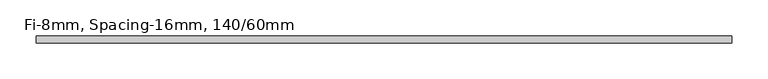
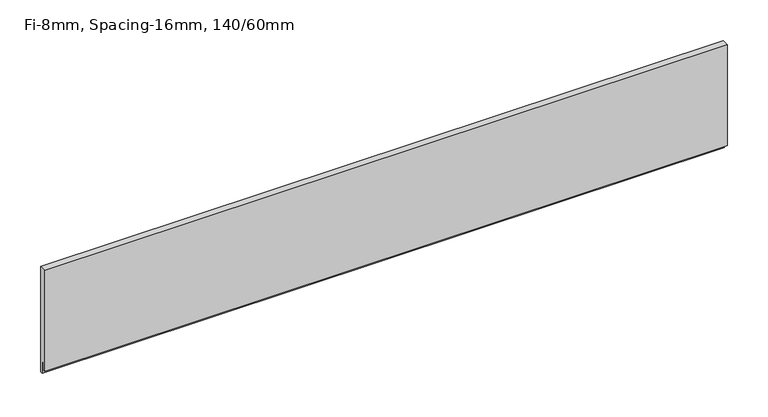
"""IFC4 building model written with IfcOpenShell, lengths in millimetres: plate geometry, Fi-8mm, Spacing-16mm, 140/60mm."""

import ifcopenshell
import ifcopenshell.guid

model = None  # the IFC model being written
_history = None  # IfcOwnerHistory: only IFC2X3 demands one
_inside = {}  # id of a spatial element -> (the spatial element, [elements in it])
_under = {}  # id of a project, library or spatial element -> (it, [spatial elements below it])
_declared = {}  # id of a project -> (the project, [libraries it declares])
_typed = {}  # id of a type object -> (the type object, [elements of that type])
_made_of = {}  # id of a material, layer set ... -> (it, [elements and type objects made of it])


def new_model(schema):
    """Start an empty IFC model of exactly this schema.

    Asked for "IFC4X3", IfcOpenShell would pick the latest addendum, in which some entities
    have other attributes; the version numbers below select the first issue.
    IFC2X3 requires an IfcOwnerHistory on every rooted entity: one is made here for all.
    """
    global model, _history
    if schema == "IFC4X3":
        model = ifcopenshell.file(schema_version=(4, 3, 0, 0))
    else:
        model = ifcopenshell.file(schema=schema)
    _inside.clear()
    _under.clear()
    _declared.clear()
    _typed.clear()
    _made_of.clear()
    _history = None
    if model.schema == "IFC2X3":
        org = make("IfcOrganization", Name="unknown")
        user = make(
            "IfcPersonAndOrganization",
            ThePerson=make("IfcPerson", FamilyName="unknown"),
            TheOrganization=org,
        )
        app = make(
            "IfcApplication",
            ApplicationDeveloper=org,
            Version="unknown",
            ApplicationFullName="unknown",
            ApplicationIdentifier="unknown",
        )
        _history = make(
            "IfcOwnerHistory",
            OwningUser=user,
            OwningApplication=app,
            ChangeAction="ADDED",
            CreationDate=0,
        )
    return model


def make(cls, **values):
    """One entity of the class cls with the attributes given. An attribute that is None is left unset."""
    return model.create_entity(
        cls, **{name: value for name, value in values.items() if value is not None}
    )


def rooted(cls, **values):
    """An entity with a GlobalId (a new one), such as an element, a storey or a relation."""
    return make(cls, GlobalId=ifcopenshell.guid.new(), OwnerHistory=_history, **values)


def si_unit(unit_type, name, prefix=None):
    """IfcSIUnit, for example si_unit("LENGTHUNIT", "METRE", prefix="MILLI")."""
    return make("IfcSIUnit", UnitType=unit_type, Prefix=prefix, Name=name)


def assignment(units):
    """IfcUnitAssignment: the units of a project."""
    return None if units is None else make("IfcUnitAssignment", Units=units)


def point(xyz):
    """IfcCartesianPoint."""
    return None if xyz is None else make("IfcCartesianPoint", Coordinates=xyz)


def direction(xyz):
    """IfcDirection."""
    return None if xyz is None else make("IfcDirection", DirectionRatios=xyz)


def frame(location, z_axis=None, x_axis=None):
    """IfcAxis2Placement3D, a coordinate frame: its origin and axes. An axis left out is left unset."""
    return make(
        "IfcAxis2Placement3D",
        Location=point(location),
        Axis=direction(z_axis),
        RefDirection=direction(x_axis),
    )


def origin():
    """The frame at (0, 0, 0) with its axes left unset."""
    return frame((0.0, 0.0, 0.0))


def place(relative_to, where):
    """IfcLocalPlacement: puts the frame where relative to a parent placement (None: the world)."""
    return make(
        "IfcLocalPlacement", PlacementRelTo=relative_to, RelativePlacement=where
    )


def context(
    kind, dimensions, precision=None, world=None, true_north=None, identifier=None
):
    """IfcGeometricRepresentationContext, for example the 3D "Model" context."""
    return make(
        "IfcGeometricRepresentationContext",
        ContextIdentifier=identifier,
        ContextType=kind,
        CoordinateSpaceDimension=dimensions,
        Precision=precision,
        WorldCoordinateSystem=world,
        TrueNorth=true_north,
    )


def project(units=None, contexts=None):
    """IfcProject with its units and contexts."""
    return rooted(
        "IfcProject",
        Name="project",
        RepresentationContexts=contexts,
        UnitsInContext=assignment(units),
    )


def spatial(cls, under=None, at=None, **own):
    """A site, building, storey or space (cls), placed at a placement, below another one or the project."""
    s = rooted(cls, ObjectPlacement=at, **own)
    if under is not None:
        _under.setdefault(under.id(), (under, []))[1].append(s)
    return s


def polyline(points):
    """IfcPolyline through the points."""
    return make("IfcPolyline", Points=[point(p) for p in points])


def outline(outer, holes=None, kind="AREA"):
    """IfcArbitraryClosedProfileDef: a profile drawn as a closed curve; with holes, ...WithVoids."""
    if holes is None:
        return make("IfcArbitraryClosedProfileDef", ProfileType=kind, OuterCurve=outer)
    return make(
        "IfcArbitraryProfileDefWithVoids",
        ProfileType=kind,
        OuterCurve=outer,
        InnerCurves=holes,
    )


def extrude(swept, where, along, depth):
    """IfcExtrudedAreaSolid: the profile swept, set in the frame where, extruded along a direction by depth."""
    return make(
        "IfcExtrudedAreaSolid",
        SweptArea=swept,
        Position=where,
        ExtrudedDirection=direction(along),
        Depth=depth,
    )


def shape(context_of_items, identifier, shape_type, items):
    """IfcShapeRepresentation: the items that make up one representation, for example the "Body"."""
    return make(
        "IfcShapeRepresentation",
        ContextOfItems=context_of_items,
        RepresentationIdentifier=identifier,
        RepresentationType=shape_type,
        Items=items,
    )


def source(mapping_origin, context_of_items, identifier, shape_type, items):
    """IfcRepresentationMap: a shape defined once, which mapped items show again and again."""
    return make(
        "IfcRepresentationMap",
        MappingOrigin=mapping_origin,
        MappedRepresentation=shape(context_of_items, identifier, shape_type, items),
    )


def transform(
    local_origin,
    x_axis=None,
    y_axis=None,
    z_axis=None,
    scale=None,
    scale2=None,
    scale3=None,
    uniform=True,
):
    """IfcCartesianTransformationOperator3D, or its non-uniform kind. x_axis, y_axis, z_axis: its Axis1, 2, 3."""
    if uniform:
        return make(
            "IfcCartesianTransformationOperator3D",
            Axis1=direction(x_axis),
            Axis2=direction(y_axis),
            LocalOrigin=point(local_origin),
            Scale=scale,
            Axis3=direction(z_axis),
        )
    return make(
        "IfcCartesianTransformationOperator3DnonUniform",
        Axis1=direction(x_axis),
        Axis2=direction(y_axis),
        LocalOrigin=point(local_origin),
        Scale=scale,
        Axis3=direction(z_axis),
        Scale2=scale2,
        Scale3=scale3,
    )


def mapped(mapping_source, mapping_target):
    """IfcMappedItem: shows the shape of a source again, moved by a transform."""
    return make(
        "IfcMappedItem", MappingSource=mapping_source, MappingTarget=mapping_target
    )


def made_of(thing, what):
    """Note that an element or type object is made of a material, layer set ...; save() writes the relation."""
    if what is not None:
        _made_of.setdefault(what.id(), (what, []))[1].append(thing)
    return thing


def element(
    cls,
    number,
    at=None,
    inside=None,
    cuts=None,
    type_object=None,
    material=None,
    context=None,
    identifier="Body",
    shape_type=None,
    held_by="IfcProductDefinitionShape",
    body=None,
    shapes=None,
    **own,
):
    """One element of the class cls, such as IfcWall. Its Tag is "e" and its number.

    at: its placement. inside: the storey or other place that contains it. cuts: it is an
    opening in that element (IfcRelVoidsElement). A single representation is given by context,
    identifier, shape_type and body (its items); several are given by shapes. held_by: the class
    of the entity that holds the representations. save() writes the other relations.
    """
    e = rooted(cls, Tag="e%d" % number, ObjectPlacement=at, **own)
    if body is not None:
        shapes = [shape(context, identifier, shape_type, body)]
    if shapes is not None:
        e.Representation = make(held_by, Representations=shapes)
    if inside is not None:
        _inside.setdefault(inside.id(), (inside, []))[1].append(e)
    if cuts is not None:
        rooted(
            "IfcRelVoidsElement", RelatingBuildingElement=cuts, RelatedOpeningElement=e
        )
    if type_object is not None:
        _typed.setdefault(type_object.id(), (type_object, []))[1].append(e)
    return made_of(e, material)


def aggregate(whole, parts):
    """IfcRelAggregates: a whole, such as a stair, and the parts it consists of."""
    return rooted("IfcRelAggregates", RelatingObject=whole, RelatedObjects=parts)


def save(model, path):
    """Write the relations noted so far, then the file.

    IfcRelAggregates (storeys below a building ...), IfcRelContainedInSpatialStructure (elements
    in a storey), IfcRelDefinesByType, IfcRelAssociatesMaterial and IfcRelDeclares: one each for
    every whole, place, type object, material and project.
    """
    for whole, parts in _under.values():
        aggregate(whole, parts)
    for where, things in _inside.values():
        rooted(
            "IfcRelContainedInSpatialStructure",
            RelatedElements=things,
            RelatingStructure=where,
        )
    for kind, things in _typed.values():
        rooted("IfcRelDefinesByType", RelatedObjects=things, RelatingType=kind)
    for what, things in _made_of.values():
        rooted("IfcRelAssociatesMaterial", RelatedObjects=things, RelatingMaterial=what)
    for by, libraries in _declared.values():
        rooted("IfcRelDeclares", RelatingContext=by, RelatedDefinitions=libraries)
    model.write(path)


def fi_8mm_spacing_16mm_140_60mm_bfff41cb(model_context):
    return source(origin(), model_context, "Body", "SweptSolid", [
        extrude(outline(polyline([(5.0, 151.0), (5.0, -7.0), (2.0, -7.0), (2.0, 11.0), (-1.0, 11.0), (-1.0, 0.0), (-5.0, 0.0), (-5.0, 151.0), (5.0, 151.0)])), frame((-482.25, 0.0, 0.0), z_axis=(1.0, 0.0, 0.0), x_axis=(0.0, 1.0, 0.0)), (0.0, 0.0, 1.0), 964.5),
    ])


if __name__ == "__main__":
    model = new_model("IFC4")
    model_context = context("Model", 3, world=origin())
    ifc_project = project(units=[si_unit("LENGTHUNIT", "METRE", prefix="MILLI")], contexts=[model_context])
    site = spatial("IfcSite", under=ifc_project)
    building = spatial("IfcBuilding", under=site)
    placement = place(None, origin())
    fi_8mm_spacing_16mm_140_60mm_shape = fi_8mm_spacing_16mm_140_60mm_bfff41cb(model_context)
    element("IfcPlate", 1, ObjectType="Fi-8mm, Spacing-16mm, 140/60mm", at=placement, inside=building, context=model_context, shape_type="MappedRepresentation", body=[
        mapped(fi_8mm_spacing_16mm_140_60mm_shape, transform((0.0, 0.0, 0.0), x_axis=(1.0, 0.0, 0.0), y_axis=(0.0, 1.0, 0.0), z_axis=(0.0, 0.0, 1.0))),
    ])
    save(model, "model.ifc")
